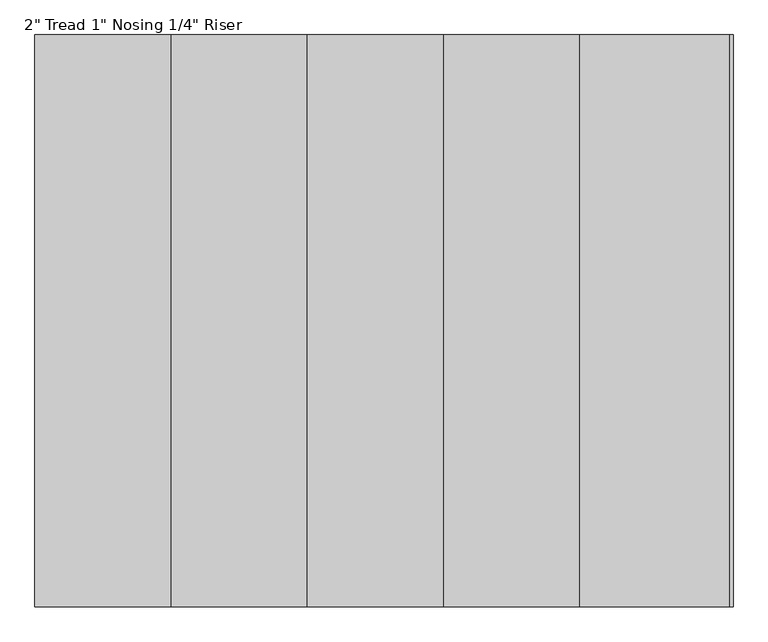
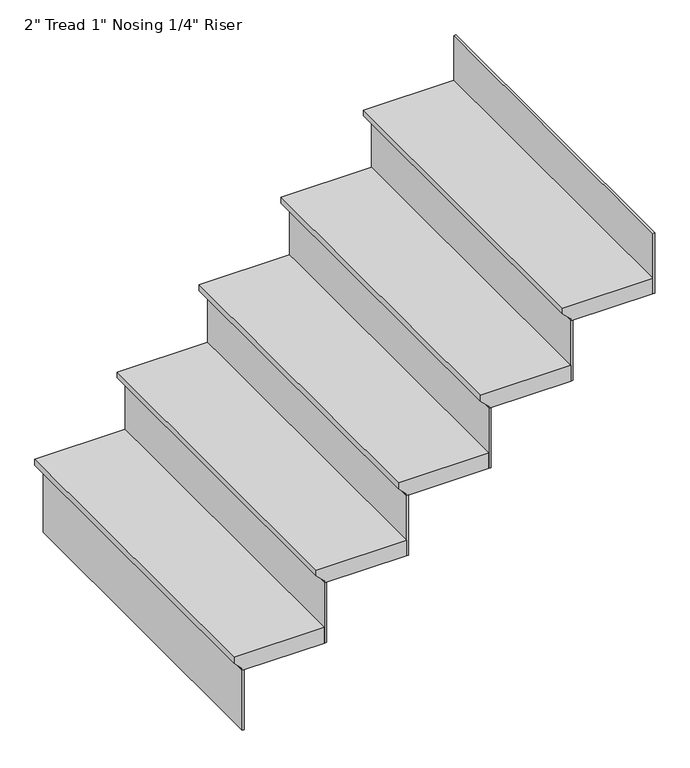
"""IFC4 building model written with IfcOpenShell, lengths in millimetres: stair flight geometry."""

from ifc_helpers import new_model, si_unit, frame, origin, place, context, project, spatial, polyline, outline, extrude, source, transform, mapped, element, save


def stair_flight_11fda7fd(model_context):
    return source(origin(), model_context, "Body", "SweptSolid", [
        extrude(outline(polyline([(-981.9821429, 1363.0897599), (-981.9821429, 1083.6897599), (-1001.0321429, 1083.6897599), (-1026.4321429, 1109.0897599), (-1032.7821429, 1109.0897599), (-1032.7821429, 1363.0897599), (-981.9821429, 1363.0897599)])), frame((0.0, 635.1091366, 0.0), z_axis=(0.0, 1.0, 0.0), x_axis=(0.0, 0.0, 1.0)), (0.0, 0.0, 1.0), 1066.8),
        extrude(outline(polyline([(1115.4397599, 635.1091366), (1109.0897599, 635.1091366), (1109.0897599, 1701.9091366), (1115.4397599, 1701.9091366), (1115.4397599, 635.1091366)])), frame((0.0, 0.0, -1229.1785714), z_axis=(0.0, 0.0, 1.0), x_axis=(1.0, 0.0, 0.0)), (0.0, 0.0, 1.0), 196.3964286),
        extrude(outline(polyline([(1369.4397599, 635.1091366), (1363.0897599, 635.1091366), (1363.0897599, 1701.9091366), (1369.4397599, 1701.9091366), (1369.4397599, 635.1091366)])), frame((0.0, 0.0, -1032.7821429), z_axis=(0.0, 0.0, 1.0), x_axis=(1.0, 0.0, 0.0)), (0.0, 0.0, 1.0), 196.3964286),
        extrude(outline(polyline([(-785.5857143, 1617.0897599), (-785.5857143, 1337.6897599), (-804.6357143, 1337.6897599), (-830.0357143, 1363.0897599), (-836.3857143, 1363.0897599), (-836.3857143, 1617.0897599), (-785.5857143, 1617.0897599)])), frame((0.0, 635.1091366, 0.0), z_axis=(0.0, 1.0, 0.0), x_axis=(0.0, 0.0, 1.0)), (0.0, 0.0, 1.0), 1066.8),
        extrude(outline(polyline([(1623.4397599, 635.1091366), (1617.0897599, 635.1091366), (1617.0897599, 1701.9091366), (1623.4397599, 1701.9091366), (1623.4397599, 635.1091366)])), frame((0.0, 0.0, -836.3857143), z_axis=(0.0, 0.0, 1.0), x_axis=(1.0, 0.0, 0.0)), (0.0, 0.0, 1.0), 196.3964286),
        extrude(outline(polyline([(-589.1892857, 1871.0897599), (-589.1892857, 1591.6897599), (-608.2392857, 1591.6897599), (-633.6392857, 1617.0897599), (-639.9892857, 1617.0897599), (-639.9892857, 1871.0897599), (-589.1892857, 1871.0897599)])), frame((0.0, 635.1091366, 0.0), z_axis=(0.0, 1.0, 0.0), x_axis=(0.0, 0.0, 1.0)), (0.0, 0.0, 1.0), 1066.8),
        extrude(outline(polyline([(1877.4397599, 635.1091366), (1871.0897599, 635.1091366), (1871.0897599, 1701.9091366), (1877.4397599, 1701.9091366), (1877.4397599, 635.1091366)])), frame((0.0, 0.0, -639.9892857), z_axis=(0.0, 0.0, 1.0), x_axis=(1.0, 0.0, 0.0)), (0.0, 0.0, 1.0), 196.3964286),
        extrude(outline(polyline([(-392.7928571, 2125.0897599), (-392.7928571, 1845.6897599), (-411.8428571, 1845.6897599), (-437.2428571, 1871.0897599), (-443.5928571, 1871.0897599), (-443.5928571, 2125.0897599), (-392.7928571, 2125.0897599)])), frame((0.0, 635.1091366, 0.0), z_axis=(0.0, 1.0, 0.0), x_axis=(0.0, 0.0, 1.0)), (0.0, 0.0, 1.0), 1066.8),
        extrude(outline(polyline([(2131.4397599, 635.1091366), (2125.0897599, 635.1091366), (2125.0897599, 1701.9091366), (2131.4397599, 1701.9091366), (2131.4397599, 635.1091366)])), frame((0.0, 0.0, -443.5928571), z_axis=(0.0, 0.0, 1.0), x_axis=(1.0, 0.0, 0.0)), (0.0, 0.0, 1.0), 196.3964286),
        extrude(outline(polyline([(2385.4397599, 635.1091366), (2379.0897599, 635.1091366), (2379.0897599, 1701.9091366), (2385.4397599, 1701.9091366), (2385.4397599, 635.1091366)])), frame((0.0, 0.0, -247.1964286), z_axis=(0.0, 0.0, 1.0), x_axis=(1.0, 0.0, 0.0)), (0.0, 0.0, 1.0), 196.3964286),
        extrude(outline(polyline([(-196.3964286, 2379.0897599), (-196.3964286, 2099.6897599), (-215.4464286, 2099.6897599), (-240.8464286, 2125.0897599), (-247.1964286, 2125.0897599), (-247.1964286, 2379.0897599), (-196.3964286, 2379.0897599)])), frame((0.0, 635.1091366, 0.0), z_axis=(0.0, 1.0, 0.0), x_axis=(0.0, 0.0, 1.0)), (0.0, 0.0, 1.0), 1066.8),
    ])


if __name__ == "__main__":
    model = new_model("IFC4")
    model_context = context("Model", 3, world=origin())
    ifc_project = project(units=[si_unit("LENGTHUNIT", "METRE", prefix="MILLI")], contexts=[model_context])
    site = spatial("IfcSite", under=ifc_project)
    building = spatial("IfcBuilding", under=site)
    placement = place(None, origin())
    stair_flight_shape = stair_flight_11fda7fd(model_context)
    element("IfcStairFlight", 1, ObjectType="2\" Tread 1\" Nosing 1/4\" Riser", at=placement, inside=building, context=model_context, shape_type="MappedRepresentation", body=[
        mapped(stair_flight_shape, transform((0.0, 0.0, 0.0), x_axis=(1.0, 0.0, 0.0), y_axis=(0.0, 1.0, 0.0), z_axis=(0.0, 0.0, 1.0))),
    ])
    save(model, "model.ifc")
